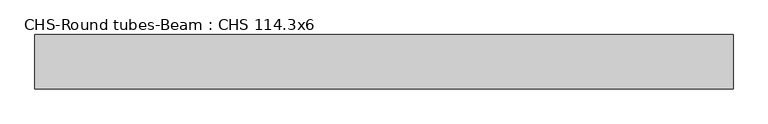
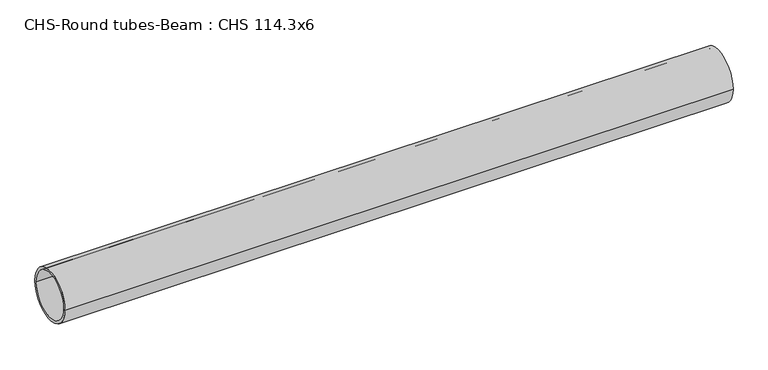
"""IFC4 building model written with IfcOpenShell, lengths in millimetres: beam geometry, CHS-Round tubes-Beam : CHS 114.3x6."""

from ifc_helpers import new_model, si_unit, point, frame, origin, origin_2d, place, context, project, spatial, circle_curve, trimmed, segment, composite_curve, outline, extrude, source, transform, mapped, element, save


def chs_round_tubes_beam_chs_114_3x6_33fa7062(model_context):
    return source(origin(), model_context, "Body", "SweptSolid", [
        extrude(outline(composite_curve([segment(trimmed(circle_curve(origin_2d(), 57.15), [point((57.15, 0.0))], [point((-57.15, 0.0))], False, "CARTESIAN"), True, "CONTINUOUS"), segment(trimmed(circle_curve(origin_2d(), 57.15), [point((-57.15, 0.0))], [point((57.15, 0.0))], False, "CARTESIAN"), True, "CONTINUOUS")], self_intersect=False), holes=[composite_curve([segment(trimmed(circle_curve(origin_2d(), 51.15), [point((51.15, 0.0))], [point((-51.15, 0.0))], True, "CARTESIAN"), True, "CONTINUOUS"), segment(trimmed(circle_curve(origin_2d(), 51.15), [point((-51.15, 0.0))], [point((51.15, 0.0))], True, "CARTESIAN"), True, "CONTINUOUS")], self_intersect=False)]), frame((-702.923181, 0.0, 0.0), z_axis=(1.0, 0.0, 0.0), x_axis=(0.0, 1.0, 0.0)), (0.0, 0.0, 1.0), 1470.3132012),
    ])


if __name__ == "__main__":
    model = new_model("IFC4")
    model_context = context("Model", 3, world=origin())
    ifc_project = project(units=[si_unit("LENGTHUNIT", "METRE", prefix="MILLI")], contexts=[model_context])
    site = spatial("IfcSite", under=ifc_project)
    building = spatial("IfcBuilding", under=site)
    placement = place(None, origin())
    chs_round_tubes_beam_chs_114_3x6_shape = chs_round_tubes_beam_chs_114_3x6_33fa7062(model_context)
    element("IfcBeam", 1, ObjectType="CHS-Round tubes-Beam : CHS 114.3x6", at=placement, inside=building, context=model_context, shape_type="MappedRepresentation", body=[
        mapped(chs_round_tubes_beam_chs_114_3x6_shape, transform((0.0, 0.0, 0.0), x_axis=(1.0, 0.0, 0.0), y_axis=(0.0, 1.0, 0.0), z_axis=(0.0, 0.0, 1.0))),
    ])
    save(model, "model.ifc")
